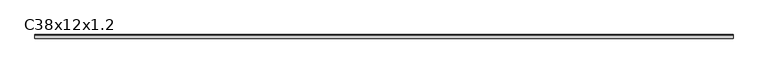
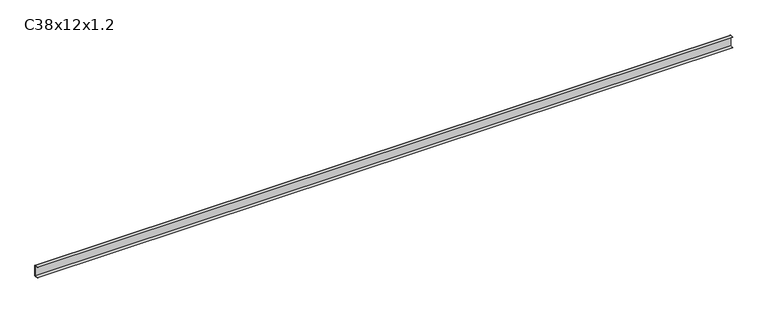
"""IFC4 building model written with IfcOpenShell, lengths in millimetres: proxy geometry, C38x12x1.2."""

from ifc_helpers import new_model, si_unit, point, frame, frame_2d, origin, place, context, project, spatial, polyline, circle_curve, trimmed, segment, composite_curve, outline, extrude, source, transform, mapped, element, save


def c38x12x1_2_5ddb51ad(model_context):
    return source(origin(), model_context, "Body", "SweptSolid", [
        extrude(outline(composite_curve([segment(polyline([(-6.0, 36.8), (-6.0, 38.0), (4.8, 38.0)]), True, "CONTINUOUS"), segment(trimmed(circle_curve(frame_2d((4.8, 36.8)), 1.2), [point((4.8, 38.0))], [point((6.0, 36.8))], False, "CARTESIAN"), True, "CONTINUOUS"), segment(polyline([(6.0, 36.8), (6.0, 1.2)]), True, "CONTINUOUS"), segment(trimmed(circle_curve(frame_2d((4.8, 1.2)), 1.2), [point((6.0, 1.2))], [point((4.8, 0.0))], False, "CARTESIAN"), True, "CONTINUOUS"), segment(polyline([(4.8, 0.0), (-6.0, 0.0), (-6.0, 1.2), (4.8, 1.2), (4.8, 36.8), (-6.0, 36.8)]), True, "CONTINUOUS")], self_intersect=False)), frame((0.0, 0.0, 0.0), z_axis=(1.0, 0.0, 0.0), x_axis=(0.0, 1.0, 0.0)), (0.0, 0.0, 1.0), 2290.0),
    ])


if __name__ == "__main__":
    model = new_model("IFC4")
    model_context = context("Model", 3, world=origin())
    ifc_project = project(units=[si_unit("LENGTHUNIT", "METRE", prefix="MILLI")], contexts=[model_context])
    site = spatial("IfcSite", under=ifc_project)
    building = spatial("IfcBuilding", under=site)
    placement = place(None, origin())
    c38x12x1_2_shape = c38x12x1_2_5ddb51ad(model_context)
    element("IfcBuildingElementProxy", 1, Name="C38x12x1.2", ObjectType="C38x12x1.2", at=placement, inside=building, context=model_context, shape_type="MappedRepresentation", body=[
        mapped(c38x12x1_2_shape, transform((0.0, 0.0, 0.0), x_axis=(1.0, 0.0, 0.0), y_axis=(0.0, 1.0, 0.0), z_axis=(0.0, 0.0, 1.0))),
    ])
    save(model, "model.ifc")
